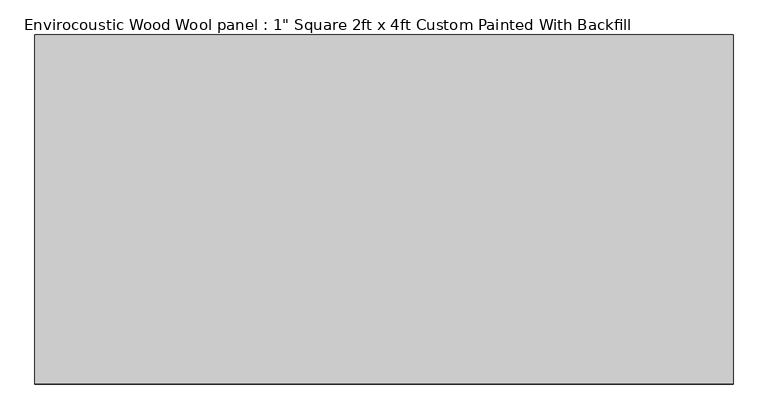
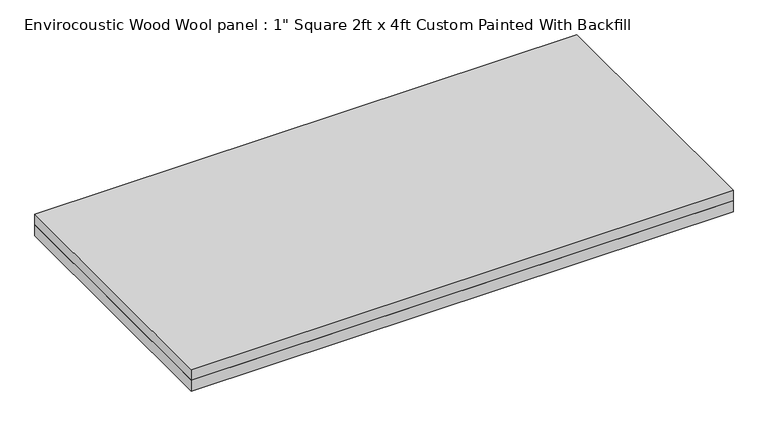
"""IFC4 building model written with IfcOpenShell, lengths in millimetres: proxy geometry."""

from ifc_helpers import new_model, si_unit, frame, origin, origin_with_axes, place, context, project, spatial, polyline, outline, extrude, source, transform, mapped, element, save


def proxy_1e3e77ff(model_context):
    return source(origin(), model_context, "Body", "SweptSolid", [
        extrude(outline(polyline([(609.6, 304.8), (609.6, -304.8), (-609.6, -304.8), (-609.6, 304.8), (609.6, 304.8)])), origin_with_axes(), (0.0, 0.0, 1.0), 25.4),
        extrude(outline(polyline([(-609.6, 304.8), (609.6, 304.8), (609.6, -304.8), (-609.6, -304.8), (-609.6, 304.8)])), frame((0.0, 0.0, 25.4), z_axis=(0.0, 0.0, 1.0), x_axis=(1.0, 0.0, 0.0)), (0.0, 0.0, 1.0), 25.4),
    ])


if __name__ == "__main__":
    model = new_model("IFC4")
    model_context = context("Model", 3, world=origin())
    ifc_project = project(units=[si_unit("LENGTHUNIT", "METRE", prefix="MILLI")], contexts=[model_context])
    site = spatial("IfcSite", under=ifc_project)
    building = spatial("IfcBuilding", under=site)
    placement = place(None, origin())
    proxy_shape = proxy_1e3e77ff(model_context)
    element("IfcBuildingElementProxy", 1, Name="Envirocoustic Wood Wool panel : 1\" Square 2ft x 4ft Custom Painted With Backfill", ObjectType="Envirocoustic Wood Wool panel : 1\" Square 2ft x 4ft Custom Painted With Backfill", at=placement, inside=building, context=model_context, shape_type="MappedRepresentation", body=[
        mapped(proxy_shape, transform((0.0, 0.0, 0.0), x_axis=(1.0, 0.0, 0.0), y_axis=(0.0, 1.0, 0.0), z_axis=(0.0, 0.0, 1.0))),
    ])
    save(model, "model.ifc")
